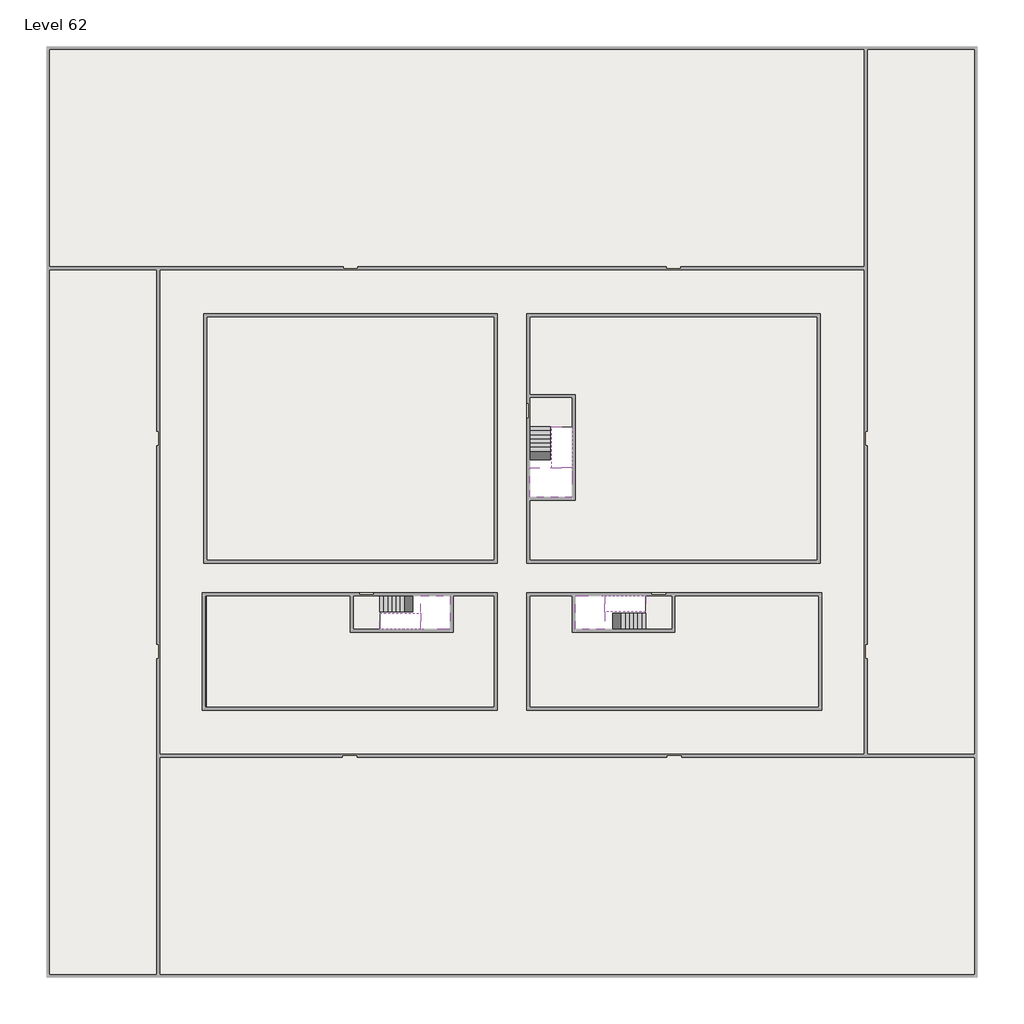
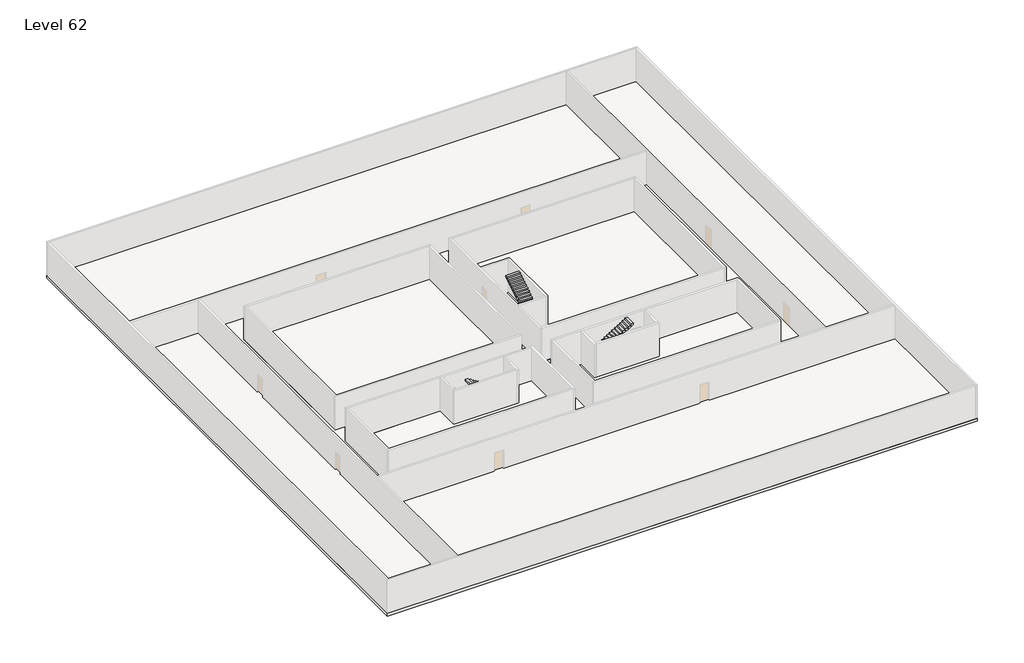
# One storey, part 2 of 2: 6 slabs, 6 stair flights.
"""IFC4 building model written with IfcOpenShell, lengths in millimetres."""

from ifc_helpers import new_model, si_unit, frame, origin, place, context, project, spatial, polyline, outline, extrude, faceted_brep, element, save

model = new_model("IFC4")

# Units and contexts
model_context = context("Model", 3, world=origin())
ifc_project = project(units=[si_unit("LENGTHUNIT", "METRE", prefix="MILLI")], contexts=[model_context])

# Site, building, storey
site = spatial("IfcSite", under=ifc_project)
building = spatial("IfcBuilding", under=site)
storey = spatial("IfcBuildingStorey", under=building, Name="Level 62", Elevation=231800.0)

# Slabs
placement = place(None, origin())
element("IfcSlab", 1, at=placement, inside=storey, context=model_context, shape_type="SweptSolid", body=[
    extrude(outline(polyline([(55890.1058784, -5518.09644), (55890.1058784, -68918.09644), (-7509.8941216, -68918.09644), (-7509.8941216, -5518.09644), (55890.1058784, -5518.09644)]), holes=[polyline([(23190.1058784, -23718.09644), (3190.1058784, -23718.09644), (3190.1058784, -40718.09644), (23190.1058784, -40718.09644), (23190.1058784, -23718.09644)]), polyline([(45190.1058784, -23718.09644), (25190.1058784, -23718.09644), (25190.1058784, -40718.09644), (45190.1058784, -40718.09644), (45190.1058784, -23718.09644)]), polyline([(23190.1058784, -50718.09644), (23190.1058784, -42718.09644), (3390.1058784, -42718.09644), (3390.1058784, -50718.09644), (23190.1058784, -50718.09644)]), polyline([(25190.1058784, -50718.09644), (45190.1058784, -50718.09644), (45190.1058784, -42718.09644), (25190.1058784, -42718.09644), (25190.1058784, -50718.09644)])]), frame((0.0, 0.0, 231500.0), z_axis=(0.0, 0.0, 1.0), x_axis=(1.0, 0.0, 0.0)), (0.0, 0.0, 1.0), 300.0),
])
element("IfcSlab", 2, at=placement, inside=storey, context=model_context, shape_type="Brep", body=[
    faceted_brep([(26790.1058784, -34218.09644, 233700.0), (25390.1058784, -34218.09644, 233700.0), (25390.1058784, -34297.4828763, 233700.0), (25390.1058784, -36218.09644, 233700.0), (28290.1058784, -36218.09644, 233700.0), (28290.1058784, -34418.7100038, 233700.0), (28290.1058784, -34218.09644, 233700.0), (26890.1058784, -34218.09644, 233700.0), (26790.1058784, -34218.09644, 233400.0), (26790.1058784, -34218.09644, 233351.0278478), (25390.1058784, -34218.09644, 233351.0278478), (25390.1058784, -34218.09644, 233527.2727273), (25390.1058784, -34297.4828763, 233400.0), (25390.1058784, -36218.09644, 233400.0), (28290.1058784, -36218.09644, 233400.0), (28290.1058784, -34418.7100038, 233400.0), (28290.1058784, -34218.09644, 233523.7551205), (26890.1058784, -34218.09644, 233523.7551205), (26890.1058784, -34218.09644, 233400.0), (26890.1058784, -34418.7100038, 233400.0), (26790.1058784, -34297.4828763, 233400.0)], [[[0, 1, 2, 3, 4, 5, 6, 7]], [[1, 0, 8, 9, 10, 11]], [[1, 11, 10, 12, 13, 3, 2]], [[4, 3, 13, 14]], [[4, 14, 15, 16, 6, 5]], [[7, 6, 16, 17]], [[0, 7, 17, 18, 8]], [[18, 19, 15, 14, 13, 12, 20, 8]], [[19, 18, 17]], [[20, 12, 10, 9]], [[8, 20, 9]], [[15, 19, 17, 16]]]),
])
element("IfcSlab", 3, at=placement, inside=storey, context=model_context, shape_type="SweptSolid", body=[
    extrude(outline(polyline([(22990.1058784, -23918.09644), (22990.1058784, -40518.09644), (3390.1058784, -40518.09644), (3390.1058784, -23918.09644), (22990.1058784, -23918.09644)])), frame((0.0, 0.0, 231500.0), z_axis=(0.0, 0.0, 1.0), x_axis=(1.0, 0.0, 0.0)), (0.0, 0.0, 1.0), 300.0),
    extrude(outline(polyline([(44990.1058784, -23918.09644), (44990.1058784, -40518.09644), (25390.1058784, -40518.09644), (25390.1058784, -36418.09644), (28490.1058784, -36418.09644), (28490.1058784, -29218.09644), (25390.1058784, -29218.09644), (25390.1058784, -23918.09644), (44990.1058784, -23918.09644)])), frame((0.0, 0.0, 231500.0), z_axis=(0.0, 0.0, 1.0), x_axis=(1.0, 0.0, 0.0)), (0.0, 0.0, 1.0), 300.0),
    extrude(outline(polyline([(22990.1058784, -42918.09644), (22990.1058784, -50518.09644), (3390.1058784, -50518.09644), (3390.1058784, -42918.09644), (13190.1058784, -42918.09644), (13190.1058784, -45418.09644), (20190.1058784, -45418.09644), (20190.1058784, -42918.09644), (22990.1058784, -42918.09644)])), frame((0.0, 0.0, 231500.0), z_axis=(0.0, 0.0, 1.0), x_axis=(1.0, 0.0, 0.0)), (0.0, 0.0, 1.0), 300.0),
    extrude(outline(polyline([(28290.1058784, -42918.09644), (28290.1058784, -45418.09644), (35290.1058784, -45418.09644), (35290.1058784, -42918.09644), (45090.1058784, -42918.09644), (45090.1058784, -50518.09644), (25390.1058784, -50518.09644), (25390.1058784, -42918.09644), (28290.1058784, -42918.09644)])), frame((0.0, 0.0, 231500.0), z_axis=(0.0, 0.0, 1.0), x_axis=(1.0, 0.0, 0.0)), (0.0, 0.0, 1.0), 300.0),
])
element("IfcSlab", 4, at=placement, inside=storey, context=model_context, shape_type="Brep", body=[
    faceted_brep([(30490.1058784, -45218.09644, 233700.0), (30490.1058784, -44118.09644, 233700.0), (30490.1058784, -44018.09644, 233700.0), (30490.1058784, -42918.09644, 233700.0), (30289.4923146, -42918.09644, 233700.0), (28490.1058784, -42918.09644, 233700.0), (28490.1058784, -45218.09644, 233700.0), (30410.7194421, -45218.09644, 233700.0), (30490.1058784, -45218.09644, 233527.2727273), (30490.1058784, -45218.09644, 233351.0278478), (30490.1058784, -44118.09644, 233351.0278478), (30490.1058784, -44118.09644, 233400.0), (30490.1058784, -44018.09644, 233400.0), (30490.1058784, -44018.09644, 233523.7551205), (30490.1058784, -42918.09644, 233523.7551205), (30289.4923146, -42918.09644, 233400.0), (28490.1058784, -42918.09644, 233400.0), (28490.1058784, -45218.09644, 233400.0), (30410.7194421, -45218.09644, 233400.0), (30289.4923146, -44018.09644, 233400.0), (30410.7194421, -44118.09644, 233400.0)], [[[0, 1, 2, 3, 4, 5, 6, 7]], [[1, 0, 8, 9, 10, 11]], [[2, 1, 11, 12, 13]], [[3, 2, 13, 14]], [[3, 14, 15, 16, 5, 4]], [[6, 5, 16, 17]], [[9, 8, 0, 7, 6, 17, 18]], [[19, 12, 11, 20, 18, 17, 16, 15]], [[12, 19, 13]], [[18, 20, 10, 9]], [[20, 11, 10]], [[19, 15, 14, 13]]]),
])
element("IfcSlab", 5, at=placement, inside=storey, context=model_context, shape_type="Brep", body=[
    faceted_brep([(17990.1058784, -42918.09644, 233700.0), (17990.1058784, -44018.09644, 233700.0), (17990.1058784, -44118.09644, 233700.0), (17990.1058784, -45218.09644, 233700.0), (18190.7194421, -45218.09644, 233700.0), (19990.1058784, -45218.09644, 233700.0), (19990.1058784, -42918.09644, 233700.0), (18069.4923146, -42918.09644, 233700.0), (17990.1058784, -42918.09644, 233527.2727273), (17990.1058784, -42918.09644, 233351.0278478), (17990.1058784, -44018.09644, 233351.0278478), (17990.1058784, -44018.09644, 233400.0), (17990.1058784, -44118.09644, 233400.0), (17990.1058784, -44118.09644, 233523.7551205), (17990.1058784, -45218.09644, 233523.7551205), (18190.7194421, -45218.09644, 233400.0), (19990.1058784, -45218.09644, 233400.0), (19990.1058784, -42918.09644, 233400.0), (18069.4923146, -42918.09644, 233400.0), (18190.7194421, -44118.09644, 233400.0), (18069.4923146, -44018.09644, 233400.0)], [[[0, 1, 2, 3, 4, 5, 6, 7]], [[1, 0, 8, 9, 10, 11]], [[2, 1, 11, 12, 13]], [[3, 2, 13, 14]], [[3, 14, 15, 16, 5, 4]], [[6, 5, 16, 17]], [[9, 8, 0, 7, 6, 17, 18]], [[19, 12, 11, 20, 18, 17, 16, 15]], [[12, 19, 13]], [[18, 20, 10, 9]], [[20, 11, 10]], [[19, 15, 14, 13]]]),
])
element("IfcSlab", 6, at=placement, inside=storey, context=model_context, shape_type="SweptSolid", body=[
    extrude(outline(polyline([(25190.1058784, -29418.09644), (28290.1058784, -29418.09644), (28290.1058784, -31418.09644), (25190.1058784, -31418.09644), (25190.1058784, -29418.09644)])), frame((0.0, 0.0, 231500.0), z_axis=(0.0, 0.0, 1.0), x_axis=(1.0, 0.0, 0.0)), (0.0, 0.0, 1.0), 300.0),
    extrude(outline(polyline([(15190.1058784, -45218.09644), (13390.1058784, -45218.09644), (13390.1058784, -42718.09644), (15190.1058784, -42718.09644), (15190.1058784, -45218.09644)])), frame((0.0, 0.0, 231500.0), z_axis=(0.0, 0.0, 1.0), x_axis=(1.0, 0.0, 0.0)), (0.0, 0.0, 1.0), 300.0),
    extrude(outline(polyline([(35090.1058784, -45218.09644), (33290.1058784, -45218.09644), (33290.1058784, -42718.09644), (35090.1058784, -42718.09644), (35090.1058784, -45218.09644)])), frame((0.0, 0.0, 231500.0), z_axis=(0.0, 0.0, 1.0), x_axis=(1.0, 0.0, 0.0)), (0.0, 0.0, 1.0), 300.0),
])

# Stair flights
element("IfcStairFlight", 7, at=placement, inside=storey, context=model_context, shape_type="Brep", body=[
    faceted_brep([(26790.1058784, -31698.09644, 231972.7272727), (26790.1058784, -31418.09644, 231972.7272727), (25390.1058784, -31418.09644, 231972.7272727), (25390.1058784, -31698.09644, 231972.7272727), (26790.1058784, -31698.09644, 231800.0), (26790.1058784, -31418.09644, 231800.0), (25390.1058784, -31418.09644, 231800.0), (25390.1058784, -31698.09644, 231800.0), (26790.1058784, -31978.09644, 232145.4545455), (26790.1058784, -31698.09644, 232145.4545455), (25390.1058784, -31698.09644, 232145.4545455), (25390.1058784, -31978.09644, 232145.4545455), (26790.1058784, -31978.09644, 231969.209666), (26790.1058784, -31703.7986657, 231800.0), (25390.1058784, -31703.7986657, 231800.0), (25390.1058784, -31978.09644, 231969.209666), (26790.1058784, -32258.09644, 232318.1818182), (26790.1058784, -31978.09644, 232318.1818182), (25390.1058784, -31978.09644, 232318.1818182), (25390.1058784, -32258.09644, 232318.1818182), (26790.1058784, -32258.09644, 232141.9369387), (25390.1058784, -32258.09644, 232141.9369387), (26790.1058784, -32538.09644, 232490.9090909), (26790.1058784, -32258.09644, 232490.9090909), (25390.1058784, -32258.09644, 232490.9090909), (25390.1058784, -32538.09644, 232490.9090909), (26790.1058784, -32538.09644, 232314.6642114), (25390.1058784, -32538.09644, 232314.6642114), (26790.1058784, -32818.09644, 232663.6363636), (26790.1058784, -32538.09644, 232663.6363636), (25390.1058784, -32538.09644, 232663.6363636), (25390.1058784, -32818.09644, 232663.6363636), (26790.1058784, -32818.09644, 232487.3914841), (25390.1058784, -32818.09644, 232487.3914841), (26790.1058784, -33098.09644, 232836.3636364), (26790.1058784, -32818.09644, 232836.3636364), (25390.1058784, -32818.09644, 232836.3636364), (25390.1058784, -33098.09644, 232836.3636364), (26790.1058784, -33098.09644, 232660.1187569), (25390.1058784, -33098.09644, 232660.1187569), (26790.1058784, -33378.09644, 233009.0909091), (26790.1058784, -33098.09644, 233009.0909091), (25390.1058784, -33098.09644, 233009.0909091), (25390.1058784, -33378.09644, 233009.0909091), (26790.1058784, -33378.09644, 232832.8460296), (25390.1058784, -33378.09644, 232832.8460296), (26790.1058784, -33658.09644, 233181.8181818), (26790.1058784, -33378.09644, 233181.8181818), (25390.1058784, -33378.09644, 233181.8181818), (25390.1058784, -33658.09644, 233181.8181818), (26790.1058784, -33658.09644, 233005.5733023), (25390.1058784, -33658.09644, 233005.5733023), (26790.1058784, -33938.09644, 233354.5454545), (26790.1058784, -33658.09644, 233354.5454545), (25390.1058784, -33658.09644, 233354.5454545), (25390.1058784, -33938.09644, 233354.5454545), (26790.1058784, -33938.09644, 233178.3005751), (25390.1058784, -33938.09644, 233178.3005751), (26790.1058784, -34218.09644, 233527.2727273), (26790.1058784, -33938.09644, 233527.2727273), (25390.1058784, -33938.09644, 233527.2727273), (25390.1058784, -34218.09644, 233527.2727273), (26790.1058784, -34218.09644, 233400.0), (26790.1058784, -34218.09644, 233351.0278478), (25390.1058784, -34218.09644, 233351.0278478)], [[[0, 1, 2, 3]], [[1, 0, 4, 5]], [[2, 1, 5, 6]], [[3, 2, 6, 7]], [[8, 9, 10, 11]], [[4, 0, 9, 8, 12, 13]], [[0, 3, 10, 9]], [[3, 7, 14, 15, 11, 10]], [[16, 17, 18, 19]], [[17, 16, 20, 12, 8]], [[8, 11, 18, 17]], [[19, 18, 11, 15, 21]], [[22, 23, 24, 25]], [[23, 22, 26, 20, 16]], [[16, 19, 24, 23]], [[25, 24, 19, 21, 27]], [[28, 29, 30, 31]], [[29, 28, 32, 26, 22]], [[22, 25, 30, 29]], [[31, 30, 25, 27, 33]], [[34, 35, 36, 37]], [[35, 34, 38, 32, 28]], [[28, 31, 36, 35]], [[37, 36, 31, 33, 39]], [[40, 41, 42, 43]], [[41, 40, 44, 38, 34]], [[34, 37, 42, 41]], [[43, 42, 37, 39, 45]], [[46, 47, 48, 49]], [[47, 46, 50, 44, 40]], [[40, 43, 48, 47]], [[49, 48, 43, 45, 51]], [[52, 53, 54, 55]], [[53, 52, 56, 50, 46]], [[46, 49, 54, 53]], [[55, 54, 49, 51, 57]], [[58, 59, 60, 61]], [[59, 58, 62, 63, 56, 52]], [[52, 55, 60, 59]], [[61, 60, 55, 57, 64]], [[58, 61, 64, 63, 62]], [[5, 4, 13, 14, 7, 6]], [[14, 13, 12, 20, 26, 32, 38, 44, 50, 56, 63, 64, 57, 51, 45, 39, 33, 27, 21, 15]]]),
])
element("IfcStairFlight", 8, at=placement, inside=storey, context=model_context, shape_type="Brep", body=[
    faceted_brep([(26890.1058784, -33938.09644, 233872.7272727), (26890.1058784, -34218.09644, 233872.7272727), (28290.1058784, -34218.09644, 233872.7272727), (28290.1058784, -33938.09644, 233872.7272727), (26890.1058784, -33938.09644, 233696.4823932), (26890.1058784, -34218.09644, 233523.7551205), (28290.1058784, -34218.09644, 233523.7551205), (28290.1058784, -34218.09644, 233700.0), (28290.1058784, -33938.09644, 233696.4823932), (26890.1058784, -33658.09644, 234045.4545455), (26890.1058784, -33938.09644, 234045.4545455), (28290.1058784, -33938.09644, 234045.4545455), (28290.1058784, -33658.09644, 234045.4545455), (26890.1058784, -33658.09644, 233869.209666), (28290.1058784, -33658.09644, 233869.209666), (26890.1058784, -33378.09644, 234218.1818182), (26890.1058784, -33658.09644, 234218.1818182), (28290.1058784, -33658.09644, 234218.1818182), (28290.1058784, -33378.09644, 234218.1818182), (26890.1058784, -33378.09644, 234041.9369387), (28290.1058784, -33378.09644, 234041.9369387), (26890.1058784, -33098.09644, 234390.9090909), (26890.1058784, -33378.09644, 234390.9090909), (28290.1058784, -33378.09644, 234390.9090909), (28290.1058784, -33098.09644, 234390.9090909), (26890.1058784, -33098.09644, 234214.6642114), (28290.1058784, -33098.09644, 234214.6642114), (26890.1058784, -32818.09644, 234563.6363636), (26890.1058784, -33098.09644, 234563.6363636), (28290.1058784, -33098.09644, 234563.6363636), (28290.1058784, -32818.09644, 234563.6363636), (26890.1058784, -32818.09644, 234387.3914841), (28290.1058784, -32818.09644, 234387.3914841), (26890.1058784, -32538.09644, 234736.3636364), (26890.1058784, -32818.09644, 234736.3636364), (28290.1058784, -32818.09644, 234736.3636364), (28290.1058784, -32538.09644, 234736.3636364), (26890.1058784, -32538.09644, 234560.1187569), (28290.1058784, -32538.09644, 234560.1187569), (26890.1058784, -32258.09644, 234909.0909091), (26890.1058784, -32538.09644, 234909.0909091), (28290.1058784, -32538.09644, 234909.0909091), (28290.1058784, -32258.09644, 234909.0909091), (26890.1058784, -32258.09644, 234732.8460296), (28290.1058784, -32258.09644, 234732.8460296), (26890.1058784, -31978.09644, 235081.8181818), (26890.1058784, -32258.09644, 235081.8181818), (28290.1058784, -32258.09644, 235081.8181818), (28290.1058784, -31978.09644, 235081.8181818), (26890.1058784, -31978.09644, 234905.5733023), (28290.1058784, -31978.09644, 234905.5733023), (26890.1058784, -31698.09644, 235254.5454545), (26890.1058784, -31978.09644, 235254.5454545), (28290.1058784, -31978.09644, 235254.5454545), (28290.1058784, -31698.09644, 235254.5454545), (26890.1058784, -31698.09644, 235078.3005751), (28290.1058784, -31698.09644, 235078.3005751), (26890.1058784, -31418.09644, 235427.2727273), (26890.1058784, -31698.09644, 235427.2727273), (28290.1058784, -31698.09644, 235427.2727273), (28290.1058784, -31418.09644, 235427.2727273), (26890.1058784, -31418.09644, 235251.0278478), (28290.1058784, -31418.09644, 235251.0278478)], [[[0, 1, 2, 3]], [[1, 0, 4, 5]], [[2, 1, 5, 6, 7]], [[3, 2, 7, 6, 8]], [[9, 10, 11, 12]], [[10, 9, 13, 4, 0]], [[11, 10, 0, 3]], [[12, 11, 3, 8, 14]], [[15, 16, 17, 18]], [[16, 15, 19, 13, 9]], [[17, 16, 9, 12]], [[18, 17, 12, 14, 20]], [[21, 22, 23, 24]], [[22, 21, 25, 19, 15]], [[23, 22, 15, 18]], [[24, 23, 18, 20, 26]], [[27, 28, 29, 30]], [[28, 27, 31, 25, 21]], [[29, 28, 21, 24]], [[30, 29, 24, 26, 32]], [[33, 34, 35, 36]], [[34, 33, 37, 31, 27]], [[35, 34, 27, 30]], [[36, 35, 30, 32, 38]], [[39, 40, 41, 42]], [[40, 39, 43, 37, 33]], [[41, 40, 33, 36]], [[42, 41, 36, 38, 44]], [[45, 46, 47, 48]], [[46, 45, 49, 43, 39]], [[47, 46, 39, 42]], [[48, 47, 42, 44, 50]], [[51, 52, 53, 54]], [[52, 51, 55, 49, 45]], [[53, 52, 45, 48]], [[54, 53, 48, 50, 56]], [[57, 58, 59, 60]], [[58, 57, 61, 55, 51]], [[59, 58, 51, 54]], [[60, 59, 54, 56, 62]], [[57, 60, 62, 61]], [[5, 4, 13, 19, 25, 31, 37, 43, 49, 55, 61, 62, 56, 50, 44, 38, 32, 26, 20, 14, 8, 6]]]),
])
element("IfcStairFlight", 9, at=placement, inside=storey, context=model_context, shape_type="Brep", body=[
    faceted_brep([(33010.1058784, -45218.09644, 231972.7272727), (33290.1058784, -45218.09644, 231972.7272727), (33290.1058784, -44118.09644, 231972.7272727), (33010.1058784, -44118.09644, 231972.7272727), (33010.1058784, -45218.09644, 231800.0), (33290.1058784, -45218.09644, 231800.0), (33290.1058784, -44118.09644, 231800.0), (33010.1058784, -44118.09644, 231800.0), (32730.1058784, -45218.09644, 232145.4545455), (33010.1058784, -45218.09644, 232145.4545455), (33010.1058784, -44118.09644, 232145.4545455), (32730.1058784, -44118.09644, 232145.4545455), (32730.1058784, -45218.09644, 231969.209666), (33004.4036527, -45218.09644, 231800.0), (33004.4036527, -44118.09644, 231800.0), (32730.1058784, -44118.09644, 231969.209666), (32450.1058784, -45218.09644, 232318.1818182), (32730.1058784, -45218.09644, 232318.1818182), (32730.1058784, -44118.09644, 232318.1818182), (32450.1058784, -44118.09644, 232318.1818182), (32450.1058784, -45218.09644, 232141.9369387), (32450.1058784, -44118.09644, 232141.9369387), (32170.1058784, -45218.09644, 232490.9090909), (32450.1058784, -45218.09644, 232490.9090909), (32450.1058784, -44118.09644, 232490.9090909), (32170.1058784, -44118.09644, 232490.9090909), (32170.1058784, -45218.09644, 232314.6642114), (32170.1058784, -44118.09644, 232314.6642114), (31890.1058784, -45218.09644, 232663.6363636), (32170.1058784, -45218.09644, 232663.6363636), (32170.1058784, -44118.09644, 232663.6363636), (31890.1058784, -44118.09644, 232663.6363636), (31890.1058784, -45218.09644, 232487.3914841), (31890.1058784, -44118.09644, 232487.3914841), (31610.1058784, -45218.09644, 232836.3636364), (31890.1058784, -45218.09644, 232836.3636364), (31890.1058784, -44118.09644, 232836.3636364), (31610.1058784, -44118.09644, 232836.3636364), (31610.1058784, -45218.09644, 232660.1187569), (31610.1058784, -44118.09644, 232660.1187569), (31330.1058784, -45218.09644, 233009.0909091), (31610.1058784, -45218.09644, 233009.0909091), (31610.1058784, -44118.09644, 233009.0909091), (31330.1058784, -44118.09644, 233009.0909091), (31330.1058784, -45218.09644, 232832.8460296), (31330.1058784, -44118.09644, 232832.8460296), (31050.1058784, -45218.09644, 233181.8181818), (31330.1058784, -45218.09644, 233181.8181818), (31330.1058784, -44118.09644, 233181.8181818), (31050.1058784, -44118.09644, 233181.8181818), (31050.1058784, -45218.09644, 233005.5733023), (31050.1058784, -44118.09644, 233005.5733023), (30770.1058784, -45218.09644, 233354.5454545), (31050.1058784, -45218.09644, 233354.5454545), (31050.1058784, -44118.09644, 233354.5454545), (30770.1058784, -44118.09644, 233354.5454545), (30770.1058784, -45218.09644, 233178.3005751), (30770.1058784, -44118.09644, 233178.3005751), (30490.1058784, -45218.09644, 233527.2727273), (30770.1058784, -45218.09644, 233527.2727273), (30770.1058784, -44118.09644, 233527.2727273), (30490.1058784, -44118.09644, 233527.2727273), (30490.1058784, -45218.09644, 233351.0278478), (30490.1058784, -44118.09644, 233351.0278478), (30490.1058784, -44118.09644, 233400.0)], [[[0, 1, 2, 3]], [[1, 0, 4, 5]], [[2, 1, 5, 6]], [[3, 2, 6, 7]], [[8, 9, 10, 11]], [[4, 0, 9, 8, 12, 13]], [[0, 3, 10, 9]], [[3, 7, 14, 15, 11, 10]], [[16, 17, 18, 19]], [[17, 16, 20, 12, 8]], [[8, 11, 18, 17]], [[19, 18, 11, 15, 21]], [[22, 23, 24, 25]], [[23, 22, 26, 20, 16]], [[16, 19, 24, 23]], [[25, 24, 19, 21, 27]], [[28, 29, 30, 31]], [[29, 28, 32, 26, 22]], [[22, 25, 30, 29]], [[31, 30, 25, 27, 33]], [[34, 35, 36, 37]], [[35, 34, 38, 32, 28]], [[28, 31, 36, 35]], [[37, 36, 31, 33, 39]], [[40, 41, 42, 43]], [[41, 40, 44, 38, 34]], [[34, 37, 42, 41]], [[43, 42, 37, 39, 45]], [[46, 47, 48, 49]], [[47, 46, 50, 44, 40]], [[40, 43, 48, 47]], [[49, 48, 43, 45, 51]], [[52, 53, 54, 55]], [[53, 52, 56, 50, 46]], [[46, 49, 54, 53]], [[55, 54, 49, 51, 57]], [[58, 59, 60, 61]], [[59, 58, 62, 56, 52]], [[52, 55, 60, 59]], [[61, 60, 55, 57, 63, 64]], [[58, 61, 64, 63, 62]], [[5, 4, 13, 14, 7, 6]], [[14, 13, 12, 20, 26, 32, 38, 44, 50, 56, 62, 63, 57, 51, 45, 39, 33, 27, 21, 15]]]),
])
element("IfcStairFlight", 10, at=placement, inside=storey, context=model_context, shape_type="Brep", body=[
    faceted_brep([(30770.1058784, -42918.09644, 233872.7272727), (30490.1058784, -42918.09644, 233872.7272727), (30490.1058784, -44018.09644, 233872.7272727), (30770.1058784, -44018.09644, 233872.7272727), (30770.1058784, -42918.09644, 233696.4823932), (30490.1058784, -42918.09644, 233523.7551205), (30490.1058784, -42918.09644, 233700.0), (30490.1058784, -44018.09644, 233523.7551205), (30770.1058784, -44018.09644, 233696.4823932), (31050.1058784, -42918.09644, 234045.4545455), (30770.1058784, -42918.09644, 234045.4545455), (30770.1058784, -44018.09644, 234045.4545455), (31050.1058784, -44018.09644, 234045.4545455), (31050.1058784, -42918.09644, 233869.209666), (31050.1058784, -44018.09644, 233869.209666), (31330.1058784, -42918.09644, 234218.1818182), (31050.1058784, -42918.09644, 234218.1818182), (31050.1058784, -44018.09644, 234218.1818182), (31330.1058784, -44018.09644, 234218.1818182), (31330.1058784, -42918.09644, 234041.9369387), (31330.1058784, -44018.09644, 234041.9369387), (31610.1058784, -42918.09644, 234390.9090909), (31330.1058784, -42918.09644, 234390.9090909), (31330.1058784, -44018.09644, 234390.9090909), (31610.1058784, -44018.09644, 234390.9090909), (31610.1058784, -42918.09644, 234214.6642114), (31610.1058784, -44018.09644, 234214.6642114), (31890.1058784, -42918.09644, 234563.6363636), (31610.1058784, -42918.09644, 234563.6363636), (31610.1058784, -44018.09644, 234563.6363636), (31890.1058784, -44018.09644, 234563.6363636), (31890.1058784, -42918.09644, 234387.3914841), (31890.1058784, -44018.09644, 234387.3914841), (32170.1058784, -42918.09644, 234736.3636364), (31890.1058784, -42918.09644, 234736.3636364), (31890.1058784, -44018.09644, 234736.3636364), (32170.1058784, -44018.09644, 234736.3636364), (32170.1058784, -42918.09644, 234560.1187569), (32170.1058784, -44018.09644, 234560.1187569), (32450.1058784, -42918.09644, 234909.0909091), (32170.1058784, -42918.09644, 234909.0909091), (32170.1058784, -44018.09644, 234909.0909091), (32450.1058784, -44018.09644, 234909.0909091), (32450.1058784, -42918.09644, 234732.8460296), (32450.1058784, -44018.09644, 234732.8460296), (32730.1058784, -42918.09644, 235081.8181818), (32450.1058784, -42918.09644, 235081.8181818), (32450.1058784, -44018.09644, 235081.8181818), (32730.1058784, -44018.09644, 235081.8181818), (32730.1058784, -42918.09644, 234905.5733023), (32730.1058784, -44018.09644, 234905.5733023), (33010.1058784, -42918.09644, 235254.5454545), (32730.1058784, -42918.09644, 235254.5454545), (32730.1058784, -44018.09644, 235254.5454545), (33010.1058784, -44018.09644, 235254.5454545), (33010.1058784, -42918.09644, 235078.3005751), (33010.1058784, -44018.09644, 235078.3005751), (33290.1058784, -42918.09644, 235427.2727273), (33010.1058784, -42918.09644, 235427.2727273), (33010.1058784, -44018.09644, 235427.2727273), (33290.1058784, -44018.09644, 235427.2727273), (33290.1058784, -42918.09644, 235251.0278478), (33290.1058784, -44018.09644, 235251.0278478)], [[[0, 1, 2, 3]], [[1, 0, 4, 5, 6]], [[2, 1, 6, 5, 7]], [[3, 2, 7, 8]], [[9, 10, 11, 12]], [[10, 9, 13, 4, 0]], [[11, 10, 0, 3]], [[12, 11, 3, 8, 14]], [[15, 16, 17, 18]], [[16, 15, 19, 13, 9]], [[17, 16, 9, 12]], [[18, 17, 12, 14, 20]], [[21, 22, 23, 24]], [[22, 21, 25, 19, 15]], [[23, 22, 15, 18]], [[24, 23, 18, 20, 26]], [[27, 28, 29, 30]], [[28, 27, 31, 25, 21]], [[29, 28, 21, 24]], [[30, 29, 24, 26, 32]], [[33, 34, 35, 36]], [[34, 33, 37, 31, 27]], [[35, 34, 27, 30]], [[36, 35, 30, 32, 38]], [[39, 40, 41, 42]], [[40, 39, 43, 37, 33]], [[41, 40, 33, 36]], [[42, 41, 36, 38, 44]], [[45, 46, 47, 48]], [[46, 45, 49, 43, 39]], [[47, 46, 39, 42]], [[48, 47, 42, 44, 50]], [[51, 52, 53, 54]], [[52, 51, 55, 49, 45]], [[53, 52, 45, 48]], [[54, 53, 48, 50, 56]], [[57, 58, 59, 60]], [[58, 57, 61, 55, 51]], [[59, 58, 51, 54]], [[60, 59, 54, 56, 62]], [[57, 60, 62, 61]], [[5, 4, 13, 19, 25, 31, 37, 43, 49, 55, 61, 62, 56, 50, 44, 38, 32, 26, 20, 14, 8, 7]]]),
])
element("IfcStairFlight", 11, at=placement, inside=storey, context=model_context, shape_type="Brep", body=[
    faceted_brep([(15470.1058784, -42918.09644, 231972.7272727), (15190.1058784, -42918.09644, 231972.7272727), (15190.1058784, -44018.09644, 231972.7272727), (15470.1058784, -44018.09644, 231972.7272727), (15470.1058784, -42918.09644, 231800.0), (15190.1058784, -42918.09644, 231800.0), (15190.1058784, -44018.09644, 231800.0), (15470.1058784, -44018.09644, 231800.0), (15750.1058784, -42918.09644, 232145.4545455), (15470.1058784, -42918.09644, 232145.4545455), (15470.1058784, -44018.09644, 232145.4545455), (15750.1058784, -44018.09644, 232145.4545455), (15750.1058784, -42918.09644, 231969.209666), (15475.8081041, -42918.09644, 231800.0), (15475.8081041, -44018.09644, 231800.0), (15750.1058784, -44018.09644, 231969.209666), (16030.1058784, -42918.09644, 232318.1818182), (15750.1058784, -42918.09644, 232318.1818182), (15750.1058784, -44018.09644, 232318.1818182), (16030.1058784, -44018.09644, 232318.1818182), (16030.1058784, -42918.09644, 232141.9369387), (16030.1058784, -44018.09644, 232141.9369387), (16310.1058784, -42918.09644, 232490.9090909), (16030.1058784, -42918.09644, 232490.9090909), (16030.1058784, -44018.09644, 232490.9090909), (16310.1058784, -44018.09644, 232490.9090909), (16310.1058784, -42918.09644, 232314.6642114), (16310.1058784, -44018.09644, 232314.6642114), (16590.1058784, -42918.09644, 232663.6363636), (16310.1058784, -42918.09644, 232663.6363636), (16310.1058784, -44018.09644, 232663.6363636), (16590.1058784, -44018.09644, 232663.6363636), (16590.1058784, -42918.09644, 232487.3914841), (16590.1058784, -44018.09644, 232487.3914841), (16870.1058784, -42918.09644, 232836.3636364), (16590.1058784, -42918.09644, 232836.3636364), (16590.1058784, -44018.09644, 232836.3636364), (16870.1058784, -44018.09644, 232836.3636364), (16870.1058784, -42918.09644, 232660.1187569), (16870.1058784, -44018.09644, 232660.1187569), (17150.1058784, -42918.09644, 233009.0909091), (16870.1058784, -42918.09644, 233009.0909091), (16870.1058784, -44018.09644, 233009.0909091), (17150.1058784, -44018.09644, 233009.0909091), (17150.1058784, -42918.09644, 232832.8460296), (17150.1058784, -44018.09644, 232832.8460296), (17430.1058784, -42918.09644, 233181.8181818), (17150.1058784, -42918.09644, 233181.8181818), (17150.1058784, -44018.09644, 233181.8181818), (17430.1058784, -44018.09644, 233181.8181818), (17430.1058784, -42918.09644, 233005.5733023), (17430.1058784, -44018.09644, 233005.5733023), (17710.1058784, -42918.09644, 233354.5454545), (17430.1058784, -42918.09644, 233354.5454545), (17430.1058784, -44018.09644, 233354.5454545), (17710.1058784, -44018.09644, 233354.5454545), (17710.1058784, -42918.09644, 233178.3005751), (17710.1058784, -44018.09644, 233178.3005751), (17990.1058784, -42918.09644, 233527.2727273), (17710.1058784, -42918.09644, 233527.2727273), (17710.1058784, -44018.09644, 233527.2727273), (17990.1058784, -44018.09644, 233527.2727273), (17990.1058784, -42918.09644, 233351.0278478), (17990.1058784, -44018.09644, 233351.0278478), (17990.1058784, -44018.09644, 233400.0)], [[[0, 1, 2, 3]], [[1, 0, 4, 5]], [[2, 1, 5, 6]], [[3, 2, 6, 7]], [[8, 9, 10, 11]], [[4, 0, 9, 8, 12, 13]], [[0, 3, 10, 9]], [[3, 7, 14, 15, 11, 10]], [[16, 17, 18, 19]], [[17, 16, 20, 12, 8]], [[8, 11, 18, 17]], [[19, 18, 11, 15, 21]], [[22, 23, 24, 25]], [[23, 22, 26, 20, 16]], [[16, 19, 24, 23]], [[25, 24, 19, 21, 27]], [[28, 29, 30, 31]], [[29, 28, 32, 26, 22]], [[22, 25, 30, 29]], [[31, 30, 25, 27, 33]], [[34, 35, 36, 37]], [[35, 34, 38, 32, 28]], [[28, 31, 36, 35]], [[37, 36, 31, 33, 39]], [[40, 41, 42, 43]], [[41, 40, 44, 38, 34]], [[34, 37, 42, 41]], [[43, 42, 37, 39, 45]], [[46, 47, 48, 49]], [[47, 46, 50, 44, 40]], [[40, 43, 48, 47]], [[49, 48, 43, 45, 51]], [[52, 53, 54, 55]], [[53, 52, 56, 50, 46]], [[46, 49, 54, 53]], [[55, 54, 49, 51, 57]], [[58, 59, 60, 61]], [[59, 58, 62, 56, 52]], [[52, 55, 60, 59]], [[61, 60, 55, 57, 63, 64]], [[58, 61, 64, 63, 62]], [[5, 4, 13, 14, 7, 6]], [[14, 13, 12, 20, 26, 32, 38, 44, 50, 56, 62, 63, 57, 51, 45, 39, 33, 27, 21, 15]]]),
])
element("IfcStairFlight", 12, at=placement, inside=storey, context=model_context, shape_type="Brep", body=[
    faceted_brep([(17710.1058784, -45218.09644, 233872.7272727), (17990.1058784, -45218.09644, 233872.7272727), (17990.1058784, -44118.09644, 233872.7272727), (17710.1058784, -44118.09644, 233872.7272727), (17710.1058784, -45218.09644, 233696.4823932), (17990.1058784, -45218.09644, 233523.7551205), (17990.1058784, -45218.09644, 233700.0), (17990.1058784, -44118.09644, 233523.7551205), (17710.1058784, -44118.09644, 233696.4823932), (17430.1058784, -45218.09644, 234045.4545455), (17710.1058784, -45218.09644, 234045.4545455), (17710.1058784, -44118.09644, 234045.4545455), (17430.1058784, -44118.09644, 234045.4545455), (17430.1058784, -45218.09644, 233869.209666), (17430.1058784, -44118.09644, 233869.209666), (17150.1058784, -45218.09644, 234218.1818182), (17430.1058784, -45218.09644, 234218.1818182), (17430.1058784, -44118.09644, 234218.1818182), (17150.1058784, -44118.09644, 234218.1818182), (17150.1058784, -45218.09644, 234041.9369387), (17150.1058784, -44118.09644, 234041.9369387), (16870.1058784, -45218.09644, 234390.9090909), (17150.1058784, -45218.09644, 234390.9090909), (17150.1058784, -44118.09644, 234390.9090909), (16870.1058784, -44118.09644, 234390.9090909), (16870.1058784, -45218.09644, 234214.6642114), (16870.1058784, -44118.09644, 234214.6642114), (16590.1058784, -45218.09644, 234563.6363636), (16870.1058784, -45218.09644, 234563.6363636), (16870.1058784, -44118.09644, 234563.6363636), (16590.1058784, -44118.09644, 234563.6363636), (16590.1058784, -45218.09644, 234387.3914841), (16590.1058784, -44118.09644, 234387.3914841), (16310.1058784, -45218.09644, 234736.3636364), (16590.1058784, -45218.09644, 234736.3636364), (16590.1058784, -44118.09644, 234736.3636364), (16310.1058784, -44118.09644, 234736.3636364), (16310.1058784, -45218.09644, 234560.1187569), (16310.1058784, -44118.09644, 234560.1187569), (16030.1058784, -45218.09644, 234909.0909091), (16310.1058784, -45218.09644, 234909.0909091), (16310.1058784, -44118.09644, 234909.0909091), (16030.1058784, -44118.09644, 234909.0909091), (16030.1058784, -45218.09644, 234732.8460296), (16030.1058784, -44118.09644, 234732.8460296), (15750.1058784, -45218.09644, 235081.8181818), (16030.1058784, -45218.09644, 235081.8181818), (16030.1058784, -44118.09644, 235081.8181818), (15750.1058784, -44118.09644, 235081.8181818), (15750.1058784, -45218.09644, 234905.5733023), (15750.1058784, -44118.09644, 234905.5733023), (15470.1058784, -45218.09644, 235254.5454545), (15750.1058784, -45218.09644, 235254.5454545), (15750.1058784, -44118.09644, 235254.5454545), (15470.1058784, -44118.09644, 235254.5454545), (15470.1058784, -45218.09644, 235078.3005751), (15470.1058784, -44118.09644, 235078.3005751), (15190.1058784, -45218.09644, 235427.2727273), (15470.1058784, -45218.09644, 235427.2727273), (15470.1058784, -44118.09644, 235427.2727273), (15190.1058784, -44118.09644, 235427.2727273), (15190.1058784, -45218.09644, 235251.0278478), (15190.1058784, -44118.09644, 235251.0278478)], [[[0, 1, 2, 3]], [[1, 0, 4, 5, 6]], [[2, 1, 6, 5, 7]], [[3, 2, 7, 8]], [[9, 10, 11, 12]], [[10, 9, 13, 4, 0]], [[11, 10, 0, 3]], [[12, 11, 3, 8, 14]], [[15, 16, 17, 18]], [[16, 15, 19, 13, 9]], [[17, 16, 9, 12]], [[18, 17, 12, 14, 20]], [[21, 22, 23, 24]], [[22, 21, 25, 19, 15]], [[23, 22, 15, 18]], [[24, 23, 18, 20, 26]], [[27, 28, 29, 30]], [[28, 27, 31, 25, 21]], [[29, 28, 21, 24]], [[30, 29, 24, 26, 32]], [[33, 34, 35, 36]], [[34, 33, 37, 31, 27]], [[35, 34, 27, 30]], [[36, 35, 30, 32, 38]], [[39, 40, 41, 42]], [[40, 39, 43, 37, 33]], [[41, 40, 33, 36]], [[42, 41, 36, 38, 44]], [[45, 46, 47, 48]], [[46, 45, 49, 43, 39]], [[47, 46, 39, 42]], [[48, 47, 42, 44, 50]], [[51, 52, 53, 54]], [[52, 51, 55, 49, 45]], [[53, 52, 45, 48]], [[54, 53, 48, 50, 56]], [[57, 58, 59, 60]], [[58, 57, 61, 55, 51]], [[59, 58, 51, 54]], [[60, 59, 54, 56, 62]], [[57, 60, 62, 61]], [[5, 4, 13, 19, 25, 31, 37, 43, 49, 55, 61, 62, 56, 50, 44, 38, 32, 26, 20, 14, 8, 7]]]),
])

save(model, "model.ifc")
